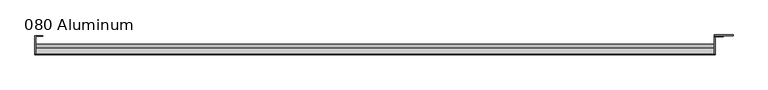
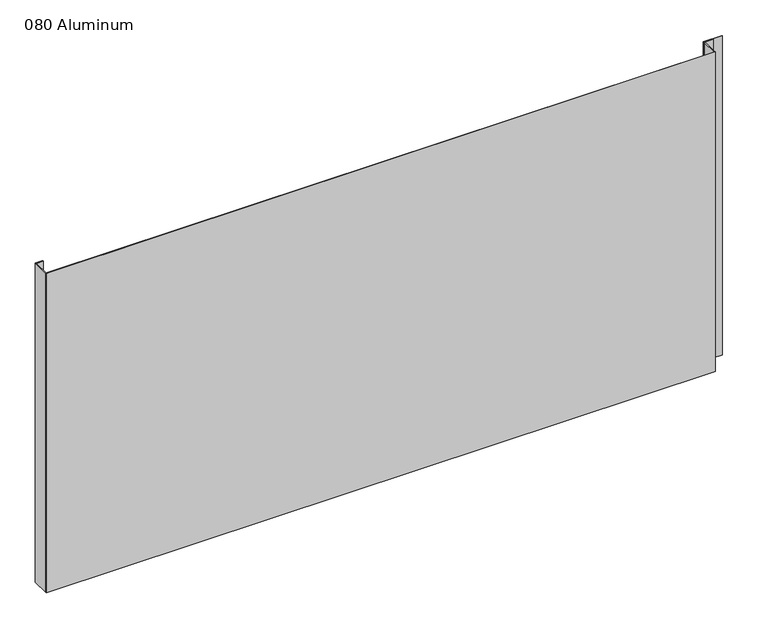
"""IFC4 building model written with IfcOpenShell, lengths in millimetres: plate geometry, 080 Aluminum."""

from ifc_helpers import new_model, si_unit, point, frame, frame_2d, origin, origin_with_axes, place, context, project, spatial, polyline, circle_curve, trimmed, segment, composite_curve, outline, extrude, source, transform, mapped, element, save


def plate_080_aluminum_36e860fa(model_context):
    return source(origin(), model_context, "Body", "SweptSolid", [
        extrude(outline(polyline([(-621.03, -2.5660257), (-621.03, -34.7980001), (-622.2999999, -34.7980001), (-622.2999999, -1.2699999), (-608.1394994, -1.2699999), (-608.1394994, -2.5660257), (-621.03, -2.5660257)])), origin_with_axes(), (0.0, 0.0, 1.0), 621.03),
        extrude(outline(composite_curve([segment(polyline([(-16.6765477, 13.1458337), (-16.6765477, 2.786437), (-17.9464915, 2.786437), (-17.9464915, 13.1323356)]), True, "CONTINUOUS"), segment(trimmed(circle_curve(frame_2d((-19.8514743, 13.124237)), 1.905), [point((-17.9464915, 13.1323356))], [point((-21.7564743, 13.124237))], True, "CARTESIAN"), True, "CONTINUOUS"), segment(polyline([(-21.7564743, 13.124237), (-21.7564743, 0.0), (-34.7980002, 0.0), (-34.7980002, 1.2693678), (-23.0264743, 1.2693678), (-23.0264743, 13.124237)]), True, "CONTINUOUS"), segment(trimmed(circle_curve(frame_2d((-19.8514743, 13.124237)), 3.175), [point((-23.0264743, 13.124237))], [point((-16.6765477, 13.1458337))], False, "CARTESIAN"), True, "CONTINUOUS")], self_intersect=False)), frame((-621.03, 0.0, 0.0), z_axis=(1.0, 0.0, 0.0), x_axis=(0.0, 1.0, 0.0)), (0.0, 0.0, 1.0), 1229.36),
        extrude(outline(polyline([(-622.3, -36.068), (-622.3, -34.7980001), (609.6, -34.7980001), (609.6, -36.068), (-622.3, -36.068)])), origin_with_axes(), (0.0, 0.0, 1.0), 622.3),
        extrude(outline(polyline([(609.6, -1.2699999), (609.6, -34.7980002), (608.3300001, -34.7980002), (608.3300001, 0.0), (642.1120856, 0.0), (642.1120856, -1.2699999), (609.6, -1.2699999)])), origin_with_axes(), (0.0, 0.0, 1.0), 621.03),
        extrude(outline(polyline([(608.33, -3.3274743), (608.33, -2.0574743), (624.0779999, -2.0574743), (624.0779999, -3.3274743), (608.33, -3.3274743)])), origin_with_axes(), (0.0, 0.0, 1.0), 622.3),
    ])


if __name__ == "__main__":
    model = new_model("IFC4")
    model_context = context("Model", 3, world=origin())
    ifc_project = project(units=[si_unit("LENGTHUNIT", "METRE", prefix="MILLI")], contexts=[model_context])
    site = spatial("IfcSite", under=ifc_project)
    building = spatial("IfcBuilding", under=site)
    placement = place(None, origin())
    plate_080_aluminum_shape = plate_080_aluminum_36e860fa(model_context)
    element("IfcPlate", 1, ObjectType="080 Aluminum", at=placement, inside=building, context=model_context, shape_type="MappedRepresentation", body=[
        mapped(plate_080_aluminum_shape, transform((0.0, 0.0, 0.0), x_axis=(1.0, 0.0, 0.0), y_axis=(0.0, 1.0, 0.0), z_axis=(0.0, 0.0, 1.0))),
    ])
    save(model, "model.ifc")
